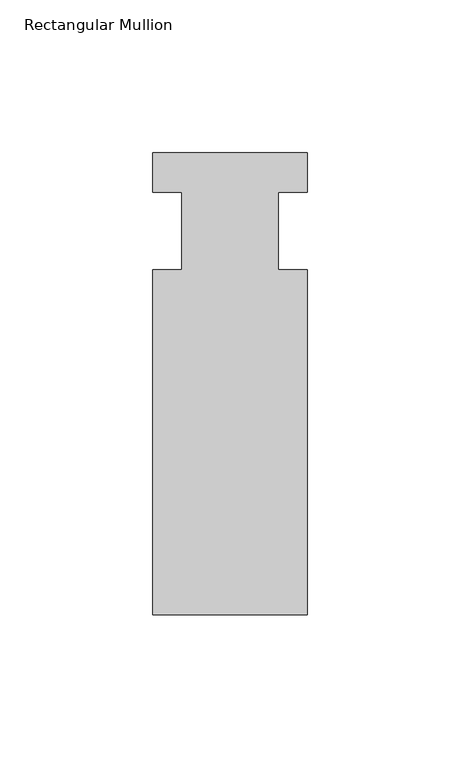
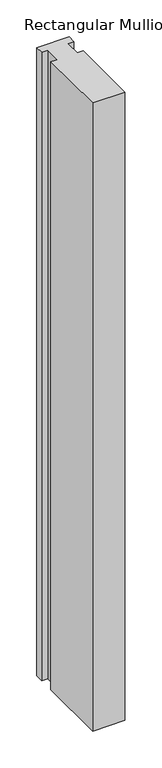
"""IFC4 building model written with IfcOpenShell, lengths in millimetres: member geometry, Rectangular Mullion."""

import ifcopenshell
import ifcopenshell.guid

model = None  # the IFC model being written
_history = None  # IfcOwnerHistory: only IFC2X3 demands one
_inside = {}  # id of a spatial element -> (the spatial element, [elements in it])
_under = {}  # id of a project, library or spatial element -> (it, [spatial elements below it])
_declared = {}  # id of a project -> (the project, [libraries it declares])
_typed = {}  # id of a type object -> (the type object, [elements of that type])
_made_of = {}  # id of a material, layer set ... -> (it, [elements and type objects made of it])


def new_model(schema):
    """Start an empty IFC model of exactly this schema.

    Asked for "IFC4X3", IfcOpenShell would pick the latest addendum, in which some entities
    have other attributes; the version numbers below select the first issue.
    IFC2X3 requires an IfcOwnerHistory on every rooted entity: one is made here for all.
    """
    global model, _history
    if schema == "IFC4X3":
        model = ifcopenshell.file(schema_version=(4, 3, 0, 0))
    else:
        model = ifcopenshell.file(schema=schema)
    _inside.clear()
    _under.clear()
    _declared.clear()
    _typed.clear()
    _made_of.clear()
    _history = None
    if model.schema == "IFC2X3":
        org = make("IfcOrganization", Name="unknown")
        user = make(
            "IfcPersonAndOrganization",
            ThePerson=make("IfcPerson", FamilyName="unknown"),
            TheOrganization=org,
        )
        app = make(
            "IfcApplication",
            ApplicationDeveloper=org,
            Version="unknown",
            ApplicationFullName="unknown",
            ApplicationIdentifier="unknown",
        )
        _history = make(
            "IfcOwnerHistory",
            OwningUser=user,
            OwningApplication=app,
            ChangeAction="ADDED",
            CreationDate=0,
        )
    return model


def make(cls, **values):
    """One entity of the class cls with the attributes given. An attribute that is None is left unset."""
    return model.create_entity(
        cls, **{name: value for name, value in values.items() if value is not None}
    )


def rooted(cls, **values):
    """An entity with a GlobalId (a new one), such as an element, a storey or a relation."""
    return make(cls, GlobalId=ifcopenshell.guid.new(), OwnerHistory=_history, **values)


def si_unit(unit_type, name, prefix=None):
    """IfcSIUnit, for example si_unit("LENGTHUNIT", "METRE", prefix="MILLI")."""
    return make("IfcSIUnit", UnitType=unit_type, Prefix=prefix, Name=name)


def assignment(units):
    """IfcUnitAssignment: the units of a project."""
    return None if units is None else make("IfcUnitAssignment", Units=units)


def point(xyz):
    """IfcCartesianPoint."""
    return None if xyz is None else make("IfcCartesianPoint", Coordinates=xyz)


def direction(xyz):
    """IfcDirection."""
    return None if xyz is None else make("IfcDirection", DirectionRatios=xyz)


def frame(location, z_axis=None, x_axis=None):
    """IfcAxis2Placement3D, a coordinate frame: its origin and axes. An axis left out is left unset."""
    return make(
        "IfcAxis2Placement3D",
        Location=point(location),
        Axis=direction(z_axis),
        RefDirection=direction(x_axis),
    )


def origin():
    """The frame at (0, 0, 0) with its axes left unset."""
    return frame((0.0, 0.0, 0.0))


def place(relative_to, where):
    """IfcLocalPlacement: puts the frame where relative to a parent placement (None: the world)."""
    return make(
        "IfcLocalPlacement", PlacementRelTo=relative_to, RelativePlacement=where
    )


def context(
    kind, dimensions, precision=None, world=None, true_north=None, identifier=None
):
    """IfcGeometricRepresentationContext, for example the 3D "Model" context."""
    return make(
        "IfcGeometricRepresentationContext",
        ContextIdentifier=identifier,
        ContextType=kind,
        CoordinateSpaceDimension=dimensions,
        Precision=precision,
        WorldCoordinateSystem=world,
        TrueNorth=true_north,
    )


def project(units=None, contexts=None):
    """IfcProject with its units and contexts."""
    return rooted(
        "IfcProject",
        Name="project",
        RepresentationContexts=contexts,
        UnitsInContext=assignment(units),
    )


def spatial(cls, under=None, at=None, **own):
    """A site, building, storey or space (cls), placed at a placement, below another one or the project."""
    s = rooted(cls, ObjectPlacement=at, **own)
    if under is not None:
        _under.setdefault(under.id(), (under, []))[1].append(s)
    return s


def polyline(points):
    """IfcPolyline through the points."""
    return make("IfcPolyline", Points=[point(p) for p in points])


def outline(outer, holes=None, kind="AREA"):
    """IfcArbitraryClosedProfileDef: a profile drawn as a closed curve; with holes, ...WithVoids."""
    if holes is None:
        return make("IfcArbitraryClosedProfileDef", ProfileType=kind, OuterCurve=outer)
    return make(
        "IfcArbitraryProfileDefWithVoids",
        ProfileType=kind,
        OuterCurve=outer,
        InnerCurves=holes,
    )


def extrude(swept, where, along, depth):
    """IfcExtrudedAreaSolid: the profile swept, set in the frame where, extruded along a direction by depth."""
    return make(
        "IfcExtrudedAreaSolid",
        SweptArea=swept,
        Position=where,
        ExtrudedDirection=direction(along),
        Depth=depth,
    )


def shape(context_of_items, identifier, shape_type, items):
    """IfcShapeRepresentation: the items that make up one representation, for example the "Body"."""
    return make(
        "IfcShapeRepresentation",
        ContextOfItems=context_of_items,
        RepresentationIdentifier=identifier,
        RepresentationType=shape_type,
        Items=items,
    )


def source(mapping_origin, context_of_items, identifier, shape_type, items):
    """IfcRepresentationMap: a shape defined once, which mapped items show again and again."""
    return make(
        "IfcRepresentationMap",
        MappingOrigin=mapping_origin,
        MappedRepresentation=shape(context_of_items, identifier, shape_type, items),
    )


def transform(
    local_origin,
    x_axis=None,
    y_axis=None,
    z_axis=None,
    scale=None,
    scale2=None,
    scale3=None,
    uniform=True,
):
    """IfcCartesianTransformationOperator3D, or its non-uniform kind. x_axis, y_axis, z_axis: its Axis1, 2, 3."""
    if uniform:
        return make(
            "IfcCartesianTransformationOperator3D",
            Axis1=direction(x_axis),
            Axis2=direction(y_axis),
            LocalOrigin=point(local_origin),
            Scale=scale,
            Axis3=direction(z_axis),
        )
    return make(
        "IfcCartesianTransformationOperator3DnonUniform",
        Axis1=direction(x_axis),
        Axis2=direction(y_axis),
        LocalOrigin=point(local_origin),
        Scale=scale,
        Axis3=direction(z_axis),
        Scale2=scale2,
        Scale3=scale3,
    )


def mapped(mapping_source, mapping_target):
    """IfcMappedItem: shows the shape of a source again, moved by a transform."""
    return make(
        "IfcMappedItem", MappingSource=mapping_source, MappingTarget=mapping_target
    )


def made_of(thing, what):
    """Note that an element or type object is made of a material, layer set ...; save() writes the relation."""
    if what is not None:
        _made_of.setdefault(what.id(), (what, []))[1].append(thing)
    return thing


def element(
    cls,
    number,
    at=None,
    inside=None,
    cuts=None,
    type_object=None,
    material=None,
    context=None,
    identifier="Body",
    shape_type=None,
    held_by="IfcProductDefinitionShape",
    body=None,
    shapes=None,
    **own,
):
    """One element of the class cls, such as IfcWall. Its Tag is "e" and its number.

    at: its placement. inside: the storey or other place that contains it. cuts: it is an
    opening in that element (IfcRelVoidsElement). A single representation is given by context,
    identifier, shape_type and body (its items); several are given by shapes. held_by: the class
    of the entity that holds the representations. save() writes the other relations.
    """
    e = rooted(cls, Tag="e%d" % number, ObjectPlacement=at, **own)
    if body is not None:
        shapes = [shape(context, identifier, shape_type, body)]
    if shapes is not None:
        e.Representation = make(held_by, Representations=shapes)
    if inside is not None:
        _inside.setdefault(inside.id(), (inside, []))[1].append(e)
    if cuts is not None:
        rooted(
            "IfcRelVoidsElement", RelatingBuildingElement=cuts, RelatedOpeningElement=e
        )
    if type_object is not None:
        _typed.setdefault(type_object.id(), (type_object, []))[1].append(e)
    return made_of(e, material)


def aggregate(whole, parts):
    """IfcRelAggregates: a whole, such as a stair, and the parts it consists of."""
    return rooted("IfcRelAggregates", RelatingObject=whole, RelatedObjects=parts)


def save(model, path):
    """Write the relations noted so far, then the file.

    IfcRelAggregates (storeys below a building ...), IfcRelContainedInSpatialStructure (elements
    in a storey), IfcRelDefinesByType, IfcRelAssociatesMaterial and IfcRelDeclares: one each for
    every whole, place, type object, material and project.
    """
    for whole, parts in _under.values():
        aggregate(whole, parts)
    for where, things in _inside.values():
        rooted(
            "IfcRelContainedInSpatialStructure",
            RelatedElements=things,
            RelatingStructure=where,
        )
    for kind, things in _typed.values():
        rooted("IfcRelDefinesByType", RelatedObjects=things, RelatingType=kind)
    for what, things in _made_of.values():
        rooted("IfcRelAssociatesMaterial", RelatedObjects=things, RelatingMaterial=what)
    for by, libraries in _declared.values():
        rooted("IfcRelDeclares", RelatingContext=by, RelatedDefinitions=libraries)
    model.write(path)


def rectangular_mullion_a6b244e9(model_context):
    return source(origin(), model_context, "Body", "SweptSolid", [
        extrude(outline(polyline([(-25.4, 25.796875), (25.4, 25.796875), (25.4, 12.7), (15.875, 12.7), (15.875, -12.7), (25.4, -12.7), (25.4, -125.809375), (-25.4, -125.809375), (-25.4, -12.7), (-15.875, -12.7), (-15.875, 12.7), (-25.4, 12.7), (-25.4, 25.796875)])), frame((0.0, 0.0, -1042.56492), z_axis=(0.0, 0.0, 1.0), x_axis=(1.0, 0.0, 0.0)), (0.0, 0.0, 1.0), 1042.56492),
    ])


if __name__ == "__main__":
    model = new_model("IFC4")
    model_context = context("Model", 3, world=origin())
    ifc_project = project(units=[si_unit("LENGTHUNIT", "METRE", prefix="MILLI")], contexts=[model_context])
    site = spatial("IfcSite", under=ifc_project)
    building = spatial("IfcBuilding", under=site)
    placement = place(None, origin())
    rectangular_mullion_shape = rectangular_mullion_a6b244e9(model_context)
    element("IfcMember", 1, ObjectType="Rectangular Mullion", at=placement, inside=building, context=model_context, shape_type="MappedRepresentation", body=[
        mapped(rectangular_mullion_shape, transform((0.0, 0.0, 0.0), x_axis=(1.0, 0.0, 0.0), y_axis=(0.0, 1.0, 0.0), z_axis=(0.0, 0.0, 1.0))),
    ])
    save(model, "model.ifc")
